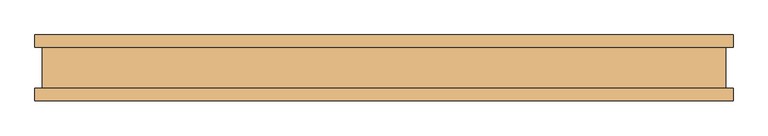
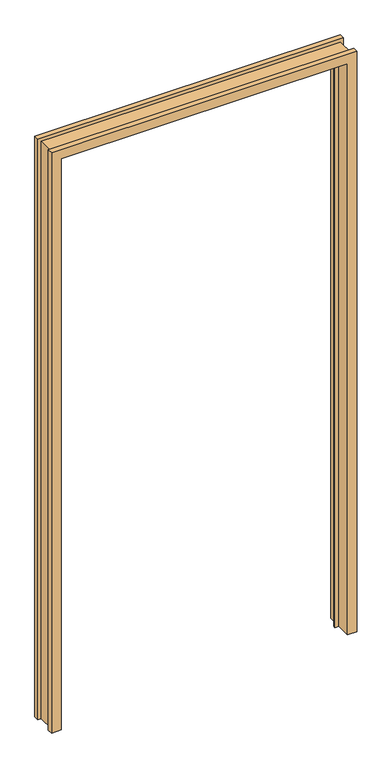
"""IFC4 building model written with IfcOpenShell, lengths in millimetres: door geometry."""

from ifc_helpers import new_model, si_unit, origin, place, context, project, spatial, faceted_brep, source, transform, mapped, element, save


def door_b1fd58b7(model_context):
    return source(origin(), model_context, "Body", "Brep", [
        faceted_brep([(-531.6982, -31.447233, 0.0), (-520.7, -31.447233, 0.0), (-520.7, 31.468567, 0.0), (-531.6982, 31.468567, 0.0), (-531.6982, 50.010667, 0.0), (-498.6782, 50.010667, 0.0), (-498.6782, 10.907167, 0.0), (-485.7242, 10.907167, 0.0), (-485.7242, 2.6789063, 0.0), (-498.6782, 2.6789063, 0.0), (-498.6782, -49.989233, 0.0), (-531.6982, -49.989233, 0.0), (-531.6982, -49.989233, 2133.5925997), (-531.6982, -31.447233, 2133.5925997), (-498.6782, -49.989233, 2100.5725997), (498.6782, -49.989233, 2100.5725997), (498.6782, -49.989233, 0.0), (531.6982, -49.989233, 0.0), (531.6982, -49.989233, 2133.5925997), (-498.6782, 2.6789063, 2100.5725997), (-485.7242, 2.6789063, 2087.6185997), (485.7242, 2.6789063, 2087.6185997), (485.7242, 2.6789063, 0.0), (498.6782, 2.6789063, 0.0), (498.6782, 2.6789063, 2100.5725997), (-485.7242, 10.907167, 2087.6185997), (-498.6782, 10.907167, 2100.5725997), (498.6782, 10.907167, 2100.5725997), (498.6782, 10.907167, 0.0), (485.7242, 10.907167, 0.0), (485.7242, 10.907167, 2087.6185997), (-498.6782, 50.010667, 2100.5725997), (-531.6982, 50.010667, 2133.5925997), (531.6982, 50.010667, 2133.5925997), (531.6982, 50.010667, 0.0), (498.6782, 50.010667, 0.0), (498.6782, 50.010667, 2100.5725997), (-531.6982, 31.468567, 2133.5925997), (-520.7, 31.468567, 2122.5943997), (520.7, 31.468567, 2122.5943997), (520.7, 31.468567, 0.0), (531.6982, 31.468567, 0.0), (531.6982, 31.468567, 2133.5925997), (-520.7, -31.447233, 2122.5943997), (531.6982, -31.447233, 2133.5925997), (531.6982, -31.447233, 0.0), (520.7, -31.447233, 0.0), (520.7, -31.447233, 2122.5943997)], [[[0, 1, 2, 3, 4, 5, 6, 7, 8, 9, 10, 11]], [[11, 12, 13, 0]], [[10, 14, 15, 16, 17, 18, 12, 11]], [[9, 19, 14, 10]], [[8, 20, 21, 22, 23, 24, 19, 9]], [[7, 25, 20, 8]], [[6, 26, 27, 28, 29, 30, 25, 7]], [[5, 31, 26, 6]], [[4, 32, 33, 34, 35, 36, 31, 5]], [[3, 37, 32, 4]], [[2, 38, 39, 40, 41, 42, 37, 3]], [[1, 43, 38, 2]], [[0, 13, 44, 45, 46, 47, 43, 1]], [[36, 35, 28, 27]], [[45, 17, 16, 23, 22, 29, 28, 35, 34, 41, 40, 46]], [[47, 46, 40, 39]], [[30, 29, 22, 21]], [[24, 23, 16, 15]], [[18, 17, 45, 44]], [[42, 41, 34, 33]], [[31, 36, 27, 26]], [[43, 47, 39, 38]], [[25, 30, 21, 20]], [[19, 24, 15, 14]], [[12, 18, 44, 13]], [[37, 42, 33, 32]]]),
    ])


if __name__ == "__main__":
    model = new_model("IFC4")
    model_context = context("Model", 3, world=origin())
    ifc_project = project(units=[si_unit("LENGTHUNIT", "METRE", prefix="MILLI")], contexts=[model_context])
    site = spatial("IfcSite", under=ifc_project)
    building = spatial("IfcBuilding", under=site)
    placement = place(None, origin())
    door_shape = door_b1fd58b7(model_context)
    element("IfcDoor", 1, at=placement, inside=building, context=model_context, shape_type="MappedRepresentation", body=[
        mapped(door_shape, transform((0.0, 0.0, 0.0), x_axis=(1.0, 0.0, 0.0), y_axis=(0.0, 1.0, 0.0), z_axis=(0.0, 0.0, 1.0))),
    ])
    save(model, "model.ifc")
